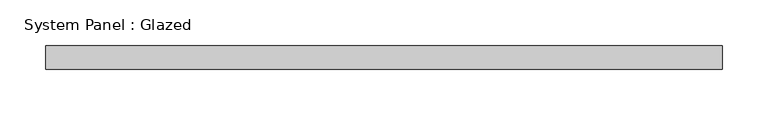
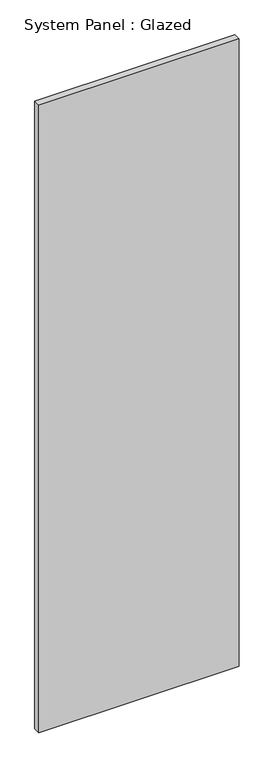
"""IFC4 building model written with IfcOpenShell, lengths in millimetres: plate geometry, System Panel : Glazed."""

from ifc_helpers import new_model, si_unit, origin, origin_with_axes, place, context, project, spatial, polyline, outline, extrude, source, transform, mapped, element, save


def system_panel_glazed_6ec72ec7(model_context):
    return source(origin(), model_context, "Body", "SweptSolid", [
        extrude(outline(polyline([(368.3, 19.05), (-368.3, 19.05), (-368.3, 44.45), (368.3, 44.45), (368.3, 19.05)])), origin_with_axes(), (0.0, 0.0, 1.0), 2438.4),
    ])


if __name__ == "__main__":
    model = new_model("IFC4")
    model_context = context("Model", 3, world=origin())
    ifc_project = project(units=[si_unit("LENGTHUNIT", "METRE", prefix="MILLI")], contexts=[model_context])
    site = spatial("IfcSite", under=ifc_project)
    building = spatial("IfcBuilding", under=site)
    placement = place(None, origin())
    system_panel_glazed_shape = system_panel_glazed_6ec72ec7(model_context)
    element("IfcPlate", 1, ObjectType="System Panel : Glazed", at=placement, inside=building, context=model_context, shape_type="MappedRepresentation", body=[
        mapped(system_panel_glazed_shape, transform((0.0, 0.0, 0.0), x_axis=(1.0, 0.0, 0.0), y_axis=(0.0, 1.0, 0.0), z_axis=(0.0, 0.0, 1.0))),
    ])
    save(model, "model.ifc")
